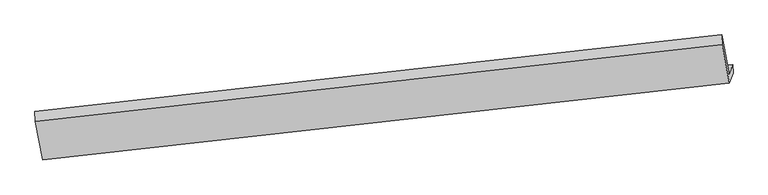
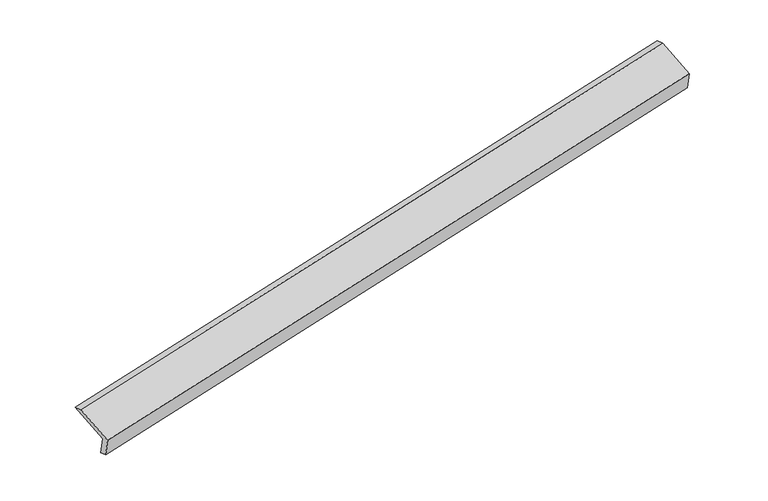
"""IFC4 building model written with IfcOpenShell, lengths in millimetres: proxy geometry."""

from ifc_helpers import new_model, si_unit, origin, place, context, project, spatial, faceted_brep, source, transform, mapped, element, save


def generic_models_e353044a(model_context):
    return source(origin(), model_context, "Body", "Brep", [
        faceted_brep([(-8703.4886285, -2206.6760922, 325.2475216), (-8768.560005, -2377.2848926, 735.0467822), (3083.2477003, -1043.6776437, 3161.2399897), (3146.8686599, -876.8716502, 2760.5750026), (-8696.6858753, -2354.9202772, 372.1210479), (3153.6714131, -1025.1158352, 2807.4485288), (-8763.6794218, -2530.5687607, 794.0255363), (3088.1282835, -1196.9615118, 3220.2187438), (-8890.5252592, -1862.1800425, 1052.1493894), (2963.0256938, -537.7584885, 3474.7951897), (-8898.892338, -1690.5247848, 1000.2654497), (2954.658615, -366.1032308, 3422.91125)], [[[0, 1, 2, 3]], [[4, 0, 3, 5]], [[6, 4, 5, 7]], [[8, 6, 7, 9]], [[10, 8, 9, 11]], [[1, 10, 11, 2]], [[9, 7, 5, 3, 2, 11]], [[1, 0, 4, 6, 8, 10]]]),
    ])


if __name__ == "__main__":
    model = new_model("IFC4")
    model_context = context("Model", 3, world=origin())
    ifc_project = project(units=[si_unit("LENGTHUNIT", "METRE", prefix="MILLI")], contexts=[model_context])
    site = spatial("IfcSite", under=ifc_project)
    building = spatial("IfcBuilding", under=site)
    placement = place(None, origin())
    generic_models_shape = generic_models_e353044a(model_context)
    element("IfcBuildingElementProxy", 1, Name="Generic Models", at=placement, inside=building, context=model_context, shape_type="MappedRepresentation", body=[
        mapped(generic_models_shape, transform((0.0, 0.0, 0.0), x_axis=(1.0, 0.0, 0.0), y_axis=(0.0, 1.0, 0.0), z_axis=(0.0, 0.0, 1.0))),
    ])
    save(model, "model.ifc")
